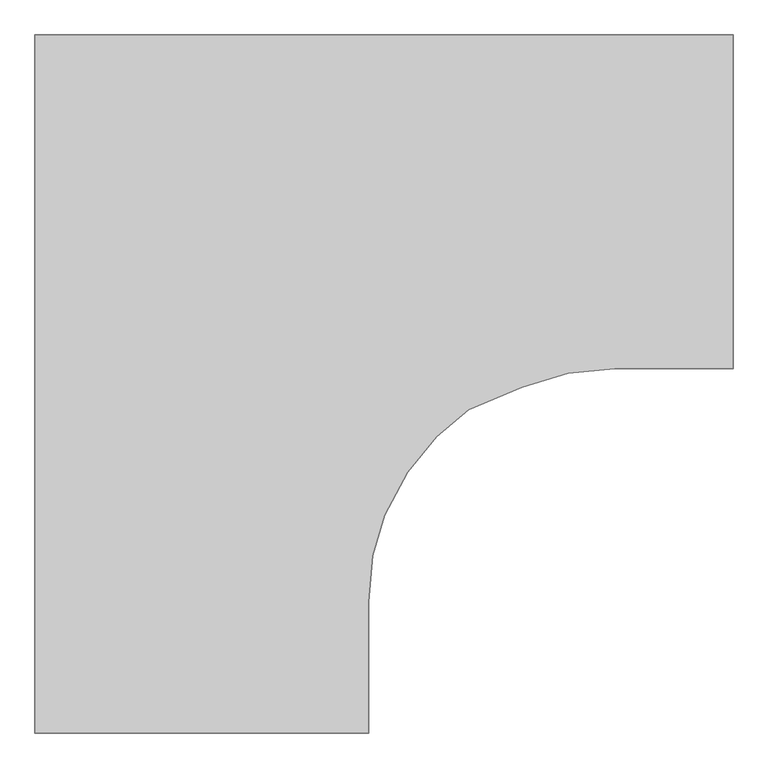
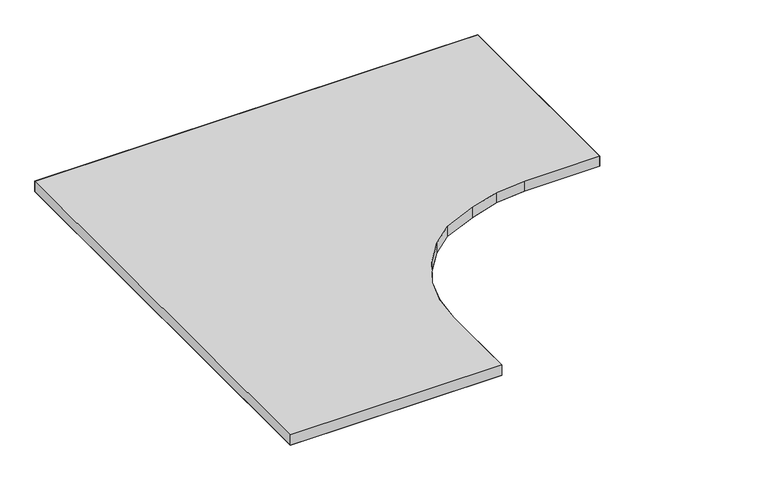
"""IFC4 building model written with IfcOpenShell, lengths in millimetres: furniture geometry."""

from ifc_helpers import new_model, si_unit, origin, place, context, project, spatial, triangles, source, transform, mapped, element, save


def furniture_790bbd7d(model_context):
    return source(origin(), model_context, "Body", "Tessellation", [
        triangles([(1.524, -1.524, 725.4243982), (1217.6759651, -1.524, 725.4243982), (1217.6759651, -1.524, 695.8333992), (1.524, -1.524, 695.8333992), (582.6759893, -989.0759651, 695.8333992), (582.6759893, -989.0759651, 725.4243982), (582.6759893, -1217.6759651, 725.4243982), (582.6759893, -1217.6759651, 695.8333992), (1.524, -1217.6759651, 725.4243982), (1.524, -1217.6759651, 695.8333992), (1217.6759651, -582.6759893, 695.8333992), (1217.6759651, -582.6759893, 725.4243982), (1011.4280165, -582.6759893, 725.4243982), (1011.4280165, -582.6759893, 695.8333992), (930.2977942, -590.6660903, 725.4243982), (930.2977942, -590.6660903, 695.8333992), (701.7078226, -701.7078226, 695.8333992), (701.7078226, -701.7078226, 725.4243982), (651.2670788, -763.5553556, 725.4243982), (651.2670788, -763.5553556, 695.8333992), (589.6980171, -908.4234753, 695.8333992), (589.6980171, -908.4234753, 725.4243982), (610.9478102, -837.9085207, 695.8333992), (610.9478102, -837.9085207, 725.4243982), (850.5415432, -615.4564013, 725.4243982), (850.5415432, -615.4564013, 695.8333992), (757.6567331, -654.7345997, 725.4243982), (757.6567331, -654.7345997, 695.8333992)], [[1, 2, 3], [1, 3, 4], [5, 6, 7], [5, 7, 8], [8, 7, 9], [8, 9, 10], [11, 12, 13], [11, 13, 14], [3, 2, 12], [3, 12, 11], [9, 1, 4], [9, 4, 10], [14, 13, 15], [14, 15, 16], [17, 18, 19], [17, 19, 20], [21, 22, 6], [21, 6, 5], [23, 24, 22], [23, 22, 21], [20, 19, 24], [20, 24, 23], [16, 15, 25], [16, 25, 26], [26, 25, 27], [26, 27, 28], [28, 27, 18], [28, 18, 17]], closed=False),
        triangles([(1.524, -1.524, 725.4243982), (1011.4280165, -582.6759893, 725.4243982), (1217.6759651, -582.6759893, 725.4243982), (1217.6759651, -1.524, 725.4243982), (1217.6759651, -582.6759893, 695.8333992), (1011.4280165, -582.6759893, 695.8333992), (1.524, -1.524, 695.8333992), (1217.6759651, -1.524, 695.8333992), (582.6759893, -1217.6759651, 695.8333992), (1.524, -1217.6759651, 695.8333992), (582.6759893, -989.0759651, 695.8333992), (1.524, -1217.6759651, 725.4243982), (582.6759893, -1217.6759651, 725.4243982), (582.6759893, -989.0759651, 725.4243982), (589.6980171, -908.4234753, 725.4243982), (651.2670788, -763.5553556, 725.4243982), (610.9478102, -837.9085207, 725.4243982), (589.6980171, -908.4234753, 695.8333992), (651.2670788, -763.5553556, 695.8333992), (610.9478102, -837.9085207, 695.8333992), (930.2977942, -590.6660903, 725.4243982), (850.5415432, -615.4564013, 725.4243982), (930.2977942, -590.6660903, 695.8333992), (850.5415432, -615.4564013, 695.8333992), (757.6567331, -654.7345997, 725.4243982), (701.7078226, -701.7078226, 725.4243982), (757.6567331, -654.7345997, 695.8333992), (701.7078226, -701.7078226, 695.8333992)], [[1, 2, 3], [1, 3, 4], [5, 6, 7], [5, 7, 8], [9, 10, 7], [9, 7, 11], [1, 12, 13], [1, 13, 14], [15, 1, 14], [16, 1, 17], [7, 18, 11], [7, 19, 20], [21, 1, 22], [7, 23, 24], [25, 1, 26], [7, 27, 28], [18, 20, 7], [19, 28, 7], [16, 26, 1], [27, 24, 7], [25, 22, 1], [23, 6, 7], [21, 2, 1], [15, 17, 1]], closed=False),
    ])


if __name__ == "__main__":
    model = new_model("IFC4")
    model_context = context("Model", 3, world=origin())
    ifc_project = project(units=[si_unit("LENGTHUNIT", "METRE", prefix="MILLI")], contexts=[model_context])
    site = spatial("IfcSite", under=ifc_project)
    building = spatial("IfcBuilding", under=site)
    placement = place(None, origin())
    furniture_shape = furniture_790bbd7d(model_context)
    element("IfcFurniture", 1, at=placement, inside=building, context=model_context, shape_type="MappedRepresentation", body=[
        mapped(furniture_shape, transform((0.0, 0.0, 0.0), x_axis=(1.0, 0.0, 0.0), y_axis=(0.0, 1.0, 0.0), z_axis=(0.0, 0.0, 1.0))),
    ])
    save(model, "model.ifc")
